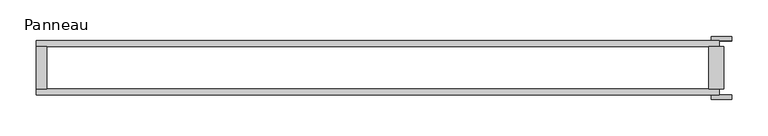
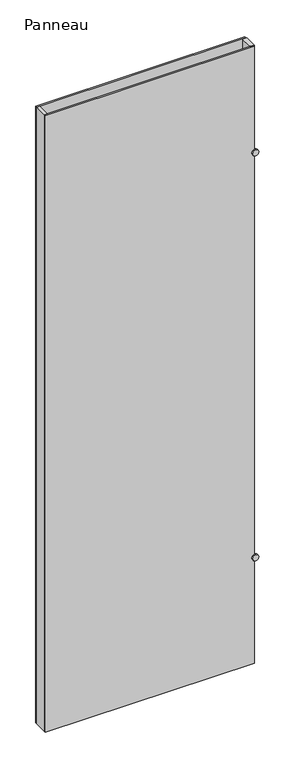
"""IFC4 building model written with IfcOpenShell, lengths in millimetres: plate geometry, Panneau."""

from ifc_helpers import new_model, si_unit, point, frame, frame_2d, origin, origin_with_axes, place, context, project, spatial, polyline, circle_curve, trimmed, segment, composite_curve, outline, extrude, source, transform, mapped, element, save


def panneau_f2e37ac7(model_context):
    return source(origin(), model_context, "Body", "SweptSolid", [
        extrude(outline(composite_curve([segment(trimmed(circle_curve(frame_2d((500.0, 468.085358)), 14.0), [point((500.0, 454.085358))], [point((500.0, 482.085358))], False, "CARTESIAN"), True, "CONTINUOUS"), segment(trimmed(circle_curve(frame_2d((500.0, 468.085358)), 14.0), [point((500.0, 482.085358))], [point((500.0, 454.085358))], False, "CARTESIAN"), True, "CONTINUOUS")], self_intersect=False)), frame((0.0, 37.2, 0.0), z_axis=(0.0, 1.0, 0.0), x_axis=(0.0, 0.0, 1.0)), (0.0, 0.0, 1.0), 6.0),
        extrude(outline(composite_curve([segment(trimmed(circle_curve(frame_2d((2415.0, 468.085358)), 14.0), [point((2415.0, 454.085358))], [point((2415.0, 482.085358))], False, "CARTESIAN"), True, "CONTINUOUS"), segment(trimmed(circle_curve(frame_2d((2415.0, 468.085358)), 14.0), [point((2415.0, 482.085358))], [point((2415.0, 454.085358))], False, "CARTESIAN"), True, "CONTINUOUS")], self_intersect=False)), frame((0.0, 37.2, 0.0), z_axis=(0.0, 1.0, 0.0), x_axis=(0.0, 0.0, 1.0)), (0.0, 0.0, 1.0), 6.0),
        extrude(outline(composite_curve([segment(trimmed(circle_curve(frame_2d((2415.0, 468.085358)), 14.0), [point((2415.0, 454.085358))], [point((2415.0, 482.085358))], False, "CARTESIAN"), True, "CONTINUOUS"), segment(trimmed(circle_curve(frame_2d((2415.0, 468.085358)), 14.0), [point((2415.0, 482.085358))], [point((2415.0, 454.085358))], False, "CARTESIAN"), True, "CONTINUOUS")], self_intersect=False)), frame((0.0, -43.2, 0.0), z_axis=(0.0, 1.0, 0.0), x_axis=(0.0, 0.0, 1.0)), (0.0, 0.0, 1.0), 6.0),
        extrude(outline(composite_curve([segment(trimmed(circle_curve(frame_2d((500.0, 468.085358)), 14.0), [point((500.0, 454.085358))], [point((500.0, 482.085358))], False, "CARTESIAN"), True, "CONTINUOUS"), segment(trimmed(circle_curve(frame_2d((500.0, 468.085358)), 14.0), [point((500.0, 482.085358))], [point((500.0, 454.085358))], False, "CARTESIAN"), True, "CONTINUOUS")], self_intersect=False)), frame((0.0, -43.2, 0.0), z_axis=(0.0, 1.0, 0.0), x_axis=(0.0, 0.0, 1.0)), (0.0, 0.0, 1.0), 6.0),
        extrude(outline(polyline([(-457.085358, 29.2), (-457.085358, -29.2), (-471.085358, -29.2), (-471.085358, 29.2), (-457.085358, 29.2)])), origin_with_axes(), (0.0, 0.0, 1.0), 2915.0),
        extrude(outline(polyline([(471.085358, 29.2), (471.085358, -29.2), (451.085358, -29.2), (451.085358, 29.2), (471.085358, 29.2)])), origin_with_axes(), (0.0, 0.0, 1.0), 2915.0),
        extrude(outline(polyline([(465.085358, 29.2), (-471.085358, 29.2), (-471.085358, 37.2), (465.085358, 37.2), (465.085358, 29.2)])), origin_with_axes(), (0.0, 0.0, 1.0), 2915.0),
        extrude(outline(polyline([(-471.085358, -37.2), (-471.085358, -29.2), (465.085358, -29.2), (465.085358, -37.2), (-471.085358, -37.2)])), origin_with_axes(), (0.0, 0.0, 1.0), 2915.0),
    ])


if __name__ == "__main__":
    model = new_model("IFC4")
    model_context = context("Model", 3, world=origin())
    ifc_project = project(units=[si_unit("LENGTHUNIT", "METRE", prefix="MILLI")], contexts=[model_context])
    site = spatial("IfcSite", under=ifc_project)
    building = spatial("IfcBuilding", under=site)
    placement = place(None, origin())
    panneau_shape = panneau_f2e37ac7(model_context)
    element("IfcPlate", 1, ObjectType="Panneau", at=placement, inside=building, context=model_context, shape_type="MappedRepresentation", body=[
        mapped(panneau_shape, transform((0.0, 0.0, 0.0), x_axis=(1.0, 0.0, 0.0), y_axis=(0.0, 1.0, 0.0), z_axis=(0.0, 0.0, 1.0))),
    ])
    save(model, "model.ifc")
